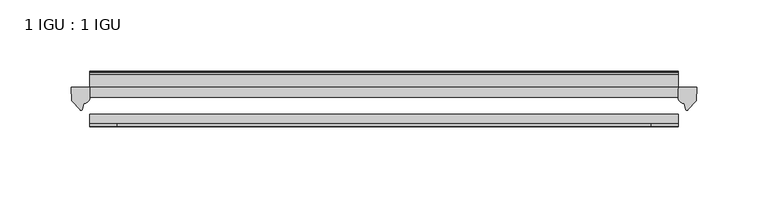
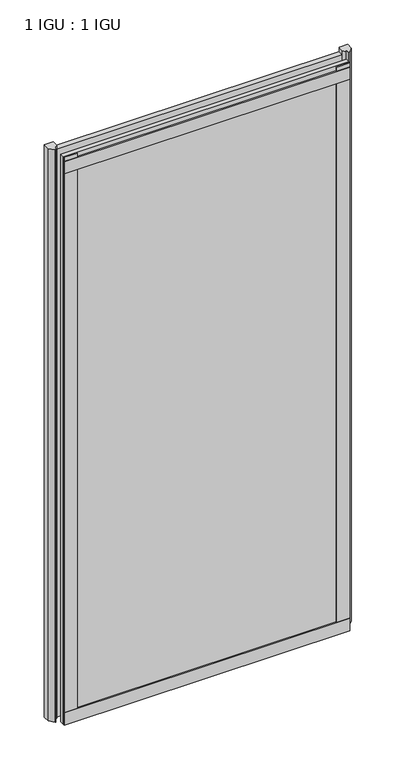
"""IFC4 building model written with IfcOpenShell, lengths in millimetres: plate geometry, 1 IGU : 1 IGU."""

from ifc_helpers import new_model, si_unit, point, frame, frame_2d, origin, place, context, project, spatial, polyline, circle_curve, trimmed, segment, composite_curve, outline, extrude, source, transform, mapped, element, save


def plate_1_igu_1_igu_98e35bc5(model_context):
    return source(origin(), model_context, "Body", "SweptSolid", [
        extrude(outline(polyline([(307.975, -11.6085937), (307.975, -18.8576359), (-105.7671875, -18.8576359), (-105.7671875, -11.6085937), (307.975, -11.6085937)])), frame((0.0, 0.0, -19.05), z_axis=(0.0, 0.0, 1.0), x_axis=(1.0, 0.0, 0.0)), (0.0, 0.0, 1.0), 869.9409101),
        extrude(outline(polyline([(-105.7671875, -30.7093937), (307.975, -30.7093937), (307.975, -37.0085937), (-105.7671875, -37.0085937), (-105.7671875, -30.7093937)])), frame((0.0, 0.0, -19.05), z_axis=(0.0, 0.0, 1.0), x_axis=(1.0, 0.0, 0.0)), (0.0, 0.0, 1.0), 869.9409101),
        extrude(outline(composite_curve([segment(polyline([(321.0529091, -11.6101465), (320.675, -21.3502133), (314.7369467, -27.6095865)]), True, "CONTINUOUS"), segment(trimmed(circle_curve(frame_2d((314.0641407, -27.2518492)), 0.762), [point((314.7369467, -27.6095865))], [point((313.3354364, -27.4746364))], False, "CARTESIAN"), True, "CONTINUOUS"), segment(polyline([(313.3354364, -27.4746364), (312.0736019, -23.3488397)]), True, "CONTINUOUS"), segment(trimmed(circle_curve(frame_2d((314.255559, -16.3834724)), 7.2991286), [point((312.0736019, -23.3488397))], [point((307.9751786, -20.1028944))], False, "CARTESIAN"), True, "CONTINUOUS"), segment(polyline([(307.9751786, -20.1028944), (307.9751786, -12.664425)]), True, "CONTINUOUS"), segment(trimmed(circle_curve(frame_2d((314.2564331, -16.3827796)), 7.2993369), [point((307.9751786, -12.664425))], [point((308.733545, -11.6101465))], False, "CARTESIAN"), True, "CONTINUOUS"), segment(polyline([(308.733545, -11.6101465), (321.0529091, -11.6101465)]), True, "CONTINUOUS")], self_intersect=False)), frame((0.0, 0.0, -19.05), z_axis=(0.0, 0.0, 1.0), x_axis=(1.0, 0.0, 0.0)), (0.0, 0.0, 1.0), 877.0783101),
        extrude(outline(composite_curve([segment(polyline([(-105.7671875, -11.610702), (-105.7671875, -20.1014769)]), True, "CONTINUOUS"), segment(trimmed(circle_curve(frame_2d((-112.0483818, -16.3829847)), 7.2993552), [point((-105.7671875, -20.1014769))], [point((-109.8661373, -23.3484994))], False, "CARTESIAN"), True, "CONTINUOUS"), segment(polyline([(-109.8661373, -23.3484994), (-111.1276239, -27.4746364)]), True, "CONTINUOUS"), segment(trimmed(circle_curve(frame_2d((-111.8563282, -27.2518492)), 0.762), [point((-111.1276239, -27.4746364))], [point((-112.5291342, -27.6095865))], False, "CARTESIAN"), True, "CONTINUOUS"), segment(polyline([(-112.5291342, -27.6095865), (-118.4671875, -21.3502133), (-118.8450966, -11.610702), (-105.7671875, -11.610702)]), True, "CONTINUOUS")], self_intersect=False)), frame((0.0, 0.0, -19.05), z_axis=(0.0, 0.0, 1.0), x_axis=(1.0, 0.0, 0.0)), (0.0, 0.0, 1.0), 877.0783101),
        extrude(outline(polyline([(-105.7671875, -39.2945937), (-105.7671875, -37.0085937), (307.975, -37.0085937), (307.975, -39.2945937), (-105.7671875, -39.2945937)])), frame((0.0, 0.0, -19.05), z_axis=(0.0, 0.0, 1.0), x_axis=(1.0, 0.0, 0.0)), (0.0, 0.0, 1.0), 19.05),
        extrude(outline(composite_curve([segment(trimmed(circle_curve(frame_2d((-2.5575611, 32.8538976)), 31.3272753), [point((-11.6085937, 2.8626158))], [point((-2.2024699, 1.5286348))], True, "CARTESIAN"), True, "CONTINUOUS"), segment(polyline([(-2.2024699, 1.5286348), (-2.2024699, 0.0), (-5.2585937, 0.0), (-5.2585937, -5.2345509), (-3.3544944, -5.5797863), (-5.2585937, -8.255), (-5.2585937, -11.471876)]), True, "CONTINUOUS"), segment(trimmed(circle_curve(frame_2d((-6.5285937, -11.471876)), 1.27), [point((-5.2585937, -11.471876))], [point((-7.4547667, -12.340843))], False, "CARTESIAN"), True, "CONTINUOUS"), segment(polyline([(-7.4547667, -12.340843), (-11.6085937, -7.9135609), (-11.6085937, 2.8626158)]), True, "CONTINUOUS")], self_intersect=False)), frame((-105.7671875, 0.0, 0.0), z_axis=(1.0, 0.0, 0.0), x_axis=(0.0, 1.0, 0.0)), (0.0, 0.0, 1.0), 413.7421875),
        extrude(outline(composite_curve([segment(polyline([(-3.0995937, 840.8103314), (-3.0995937, 838.7783314), (-5.2585937, 838.7783314), (-5.2585937, 833.4443314), (-1.5755937, 833.4443314), (-1.5755937, 830.3963314), (-5.2585937, 830.3963314), (-5.2585937, 825.5703314), (-0.5298657, 826.2349108), (-0.4061408, 825.3545625)]), True, "CONTINUOUS"), segment(trimmed(circle_curve(frame_2d((-1.4122531, 825.2131626)), 1.016), [point((-0.4061408, 825.3545625))], [point((-1.2708533, 824.2070502))], False, "CARTESIAN"), True, "CONTINUOUS"), segment(polyline([(-1.2708533, 824.2070502), (-11.6085937, 822.7541756), (-11.6085937, 840.8103314), (-3.0995937, 840.8103314)]), True, "CONTINUOUS")], self_intersect=False)), frame((-105.7671875, 0.0, 0.0), z_axis=(1.0, 0.0, 0.0), x_axis=(0.0, 1.0, 0.0)), (0.0, 0.0, 1.0), 413.7421875),
        extrude(outline(polyline([(-105.7671875, -39.2945937), (-105.7671875, -37.0085937), (307.975, -37.0085937), (307.975, -39.2945937), (-105.7671875, -39.2945937)])), frame((0.0, 0.0, 825.4909101), z_axis=(0.0, 0.0, 1.0), x_axis=(1.0, 0.0, 0.0)), (0.0, 0.0, 1.0), 19.05),
        extrude(outline(polyline([(288.925, -37.0085937), (307.975, -37.0085937), (307.975, -39.2945938), (288.925, -39.2945938), (288.925, -37.0085937)])), frame((0.0, 0.0, -19.05), z_axis=(0.0, 0.0, 1.0), x_axis=(1.0, 0.0, 0.0)), (0.0, 0.0, 1.0), 869.9409101),
        extrude(outline(polyline([(-105.7671875, -39.2945937), (-105.7671875, -37.0085938), (-86.7171875, -37.0085938), (-86.7171875, -39.2945937), (-105.7671875, -39.2945937)])), frame((0.0, 0.0, -19.05), z_axis=(0.0, 0.0, 1.0), x_axis=(1.0, 0.0, 0.0)), (0.0, 0.0, 1.0), 869.9409101),
    ])


if __name__ == "__main__":
    model = new_model("IFC4")
    model_context = context("Model", 3, world=origin())
    ifc_project = project(units=[si_unit("LENGTHUNIT", "METRE", prefix="MILLI")], contexts=[model_context])
    site = spatial("IfcSite", under=ifc_project)
    building = spatial("IfcBuilding", under=site)
    placement = place(None, origin())
    plate_1_igu_1_igu_shape = plate_1_igu_1_igu_98e35bc5(model_context)
    element("IfcPlate", 1, ObjectType="1 IGU : 1 IGU", at=placement, inside=building, context=model_context, shape_type="MappedRepresentation", body=[
        mapped(plate_1_igu_1_igu_shape, transform((0.0, 0.0, 0.0), x_axis=(1.0, 0.0, 0.0), y_axis=(0.0, 1.0, 0.0), z_axis=(0.0, 0.0, 1.0))),
    ])
    save(model, "model.ifc")
